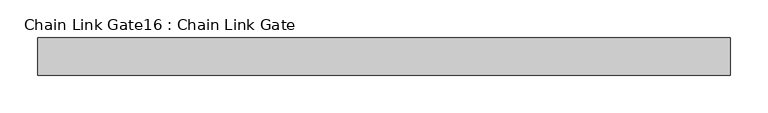
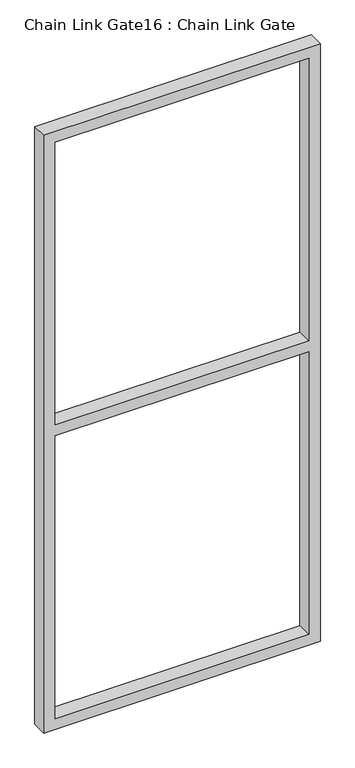
"""IFC4 building model written with IfcOpenShell, lengths in millimetres: proxy geometry, Chain Link Gate16 : Chain Link Gate."""

from ifc_helpers import new_model, si_unit, frame, origin, place, context, project, spatial, polyline, outline, extrude, source, transform, mapped, element, save


def chain_link_gate16_chain_link_gate_c3a2af79(model_context):
    return source(origin(), model_context, "Body", "SweptSolid", [
        extrude(outline(polyline([(2120.9, -8534.2695328), (12.7, -8534.2695328), (12.7, -7610.3445328), (2120.9, -7610.3445328), (2120.9, -8534.2695328)]), holes=[polyline([(2082.8, -8496.1695328), (2082.8, -7648.4445328), (1085.85, -7648.4445328), (1085.85, -8496.1695328), (2082.8, -8496.1695328)]), polyline([(1047.75, -7648.4445328), (50.8, -7648.4445328), (50.8, -8496.1695328), (1047.75, -8496.1695328), (1047.75, -7648.4445328)])]), frame((0.0, 32282.8086184, 0.0), z_axis=(0.0, 1.0, 0.0), x_axis=(0.0, 0.0, 1.0)), (0.0, 0.0, 1.0), 50.1314753),
    ])


if __name__ == "__main__":
    model = new_model("IFC4")
    model_context = context("Model", 3, world=origin())
    ifc_project = project(units=[si_unit("LENGTHUNIT", "METRE", prefix="MILLI")], contexts=[model_context])
    site = spatial("IfcSite", under=ifc_project)
    building = spatial("IfcBuilding", under=site)
    placement = place(None, origin())
    chain_link_gate16_chain_link_gate_shape = chain_link_gate16_chain_link_gate_c3a2af79(model_context)
    element("IfcBuildingElementProxy", 1, Name="Chain Link Gate16 : Chain Link Gate", ObjectType="Chain Link Gate16 : Chain Link Gate", at=placement, inside=building, context=model_context, shape_type="MappedRepresentation", body=[
        mapped(chain_link_gate16_chain_link_gate_shape, transform((0.0, 0.0, 0.0), x_axis=(1.0, 0.0, 0.0), y_axis=(0.0, 1.0, 0.0), z_axis=(0.0, 0.0, 1.0))),
    ])
    save(model, "model.ifc")
